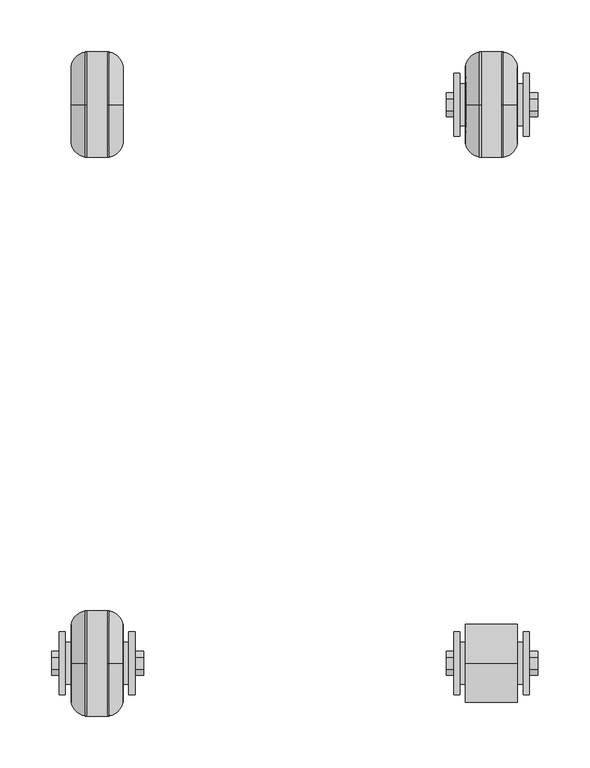
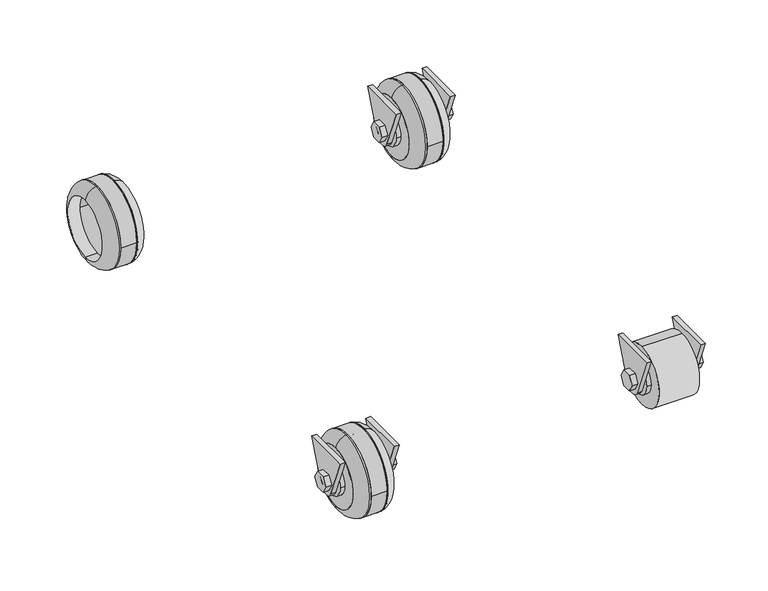
"""IFC4 building model written with IfcOpenShell, lengths in millimetres: proxy geometry."""

from ifc_helpers import new_model, si_unit, point, frame, frame_2d, origin, place, context, project, spatial, polyline, circle_curve, ellipse_curve, trimmed, segment, composite_curve, outline, extrude, source, transform, mapped, element, save
from ifc_brep_helpers import plane_surface, cylinder_surface, revolved_surface, advanced_brep


def specialty_equipment_302ef924(model_context):
    return source(origin(), model_context, "Body", "SolidModel", [
        advanced_brep(
        [(-164.9371167, 254.3891054, 87.8717833), (-164.9371167, 254.3891054, 13.5282167), (-178.4613722, 254.3891054, 0.0), (-178.4613722, 254.3891054, 101.4), (-179.9314, 254.3891054, 87.8717833), (-179.9314, 254.3891054, 13.5282167), (-179.9314, 254.3891054, 101.4), (-179.9314, 254.3891054, 0.0)],
        [
            (0, 1, circle_curve(frame((-164.9371167, 254.3891054, 50.7), z_axis=(-1.0, 0.0, 0.0), x_axis=(0.0, 0.0, -1.0)), 37.1717833)),
            (1, 2, circle_curve(frame((-180.7281604, 254.3891054, 15.7903806), z_axis=(0.0, 1.0, 0.0), x_axis=(-1.0, 0.0, 0.0)), 15.9522553)),
            (2, 3, circle_curve(frame((-178.4613722, 254.3891054, 50.7), z_axis=(1.0, 0.0, 0.0), x_axis=(0.0, 0.0, -1.0)), 50.7)),
            (3, 0, circle_curve(frame((-180.7281604, 254.3891054, 85.6096194), z_axis=(0.0, 1.0, 0.0), x_axis=(-1.0, 0.0, 0.0)), 15.9522553)),
            (1, 0, circle_curve(frame((-164.9371167, 254.3891054, 50.7), z_axis=(-1.0, 0.0, 0.0), x_axis=(0.0, 0.0, -1.0)), 37.1717833)),
            (3, 2, circle_curve(frame((-178.4613722, 254.3891054, 50.7), z_axis=(1.0, 0.0, 0.0), x_axis=(0.0, 0.0, -1.0)), 50.7)),
            (4, 5, circle_curve(frame((-179.9314, 254.3891054, 50.7), z_axis=(-1.0, 0.0, 0.0), x_axis=(0.0, 0.0, -1.0)), 37.1717833)),
            (5, 1),
            (0, 4),
            (5, 4, circle_curve(frame((-179.9314, 254.3891054, 50.7), z_axis=(-1.0, 0.0, 0.0), x_axis=(0.0, 0.0, -1.0)), 37.1717833)),
            (6, 7, circle_curve(frame((-179.9314, 254.3891054, 50.7), z_axis=(-1.0, 0.0, 0.0), x_axis=(0.0, 0.0, -1.0)), 50.7)),
            (7, 5),
            (4, 6),
            (7, 6, circle_curve(frame((-179.9314, 254.3891054, 50.7), z_axis=(-1.0, 0.0, 0.0), x_axis=(0.0, 0.0, -1.0)), 50.7)),
            (2, 7),
            (6, 3),
        ],
        [
            revolved_surface(trimmed(ellipse_curve(frame((-180.7281604, 254.3891054, 15.7903806), z_axis=(0.0, -1.0, 0.0), x_axis=(-1.0, 0.0, 0.0)), 15.9522553, 15.9522553), [point((-178.4613722, 254.3891054, 0.0))], [point((-164.9371167, 254.3891054, 13.5282167))], True, "CARTESIAN"), (-145.2387444, 254.3891054, 50.7), (1.0, 0.0, 0.0)),
            revolved_surface(polyline([(-164.9371167, 254.3891054, 13.528216700000002), (-179.9314, 254.3891054, 13.528216700000002)]), (-145.2387444, 254.3891054, 50.7), (1.0, 0.0, 0.0)),
            plane_surface(frame((-179.9314, 254.3891054, 50.7), z_axis=(-1.0, 0.0, 0.0), x_axis=(0.0, 0.0, -1.0))),
            cylinder_surface(frame((-145.2387444, 254.3891054, 50.7), z_axis=(1.0, 0.0, 0.0), x_axis=(0.0, 0.0, -1.0)), 50.7),
        ],
        [
            (0, [[1, 2, 3, 4]]),
            (0, [[5, -4, 6, -2]]),
            (1, [[7, 8, -1, 9]]),
            (1, [[10, -9, -5, -8]]),
            (2, [[11, 12, -7, 13]]),
            (2, [[14, -13, -10, -12]]),
            (3, [[-3, 15, -11, 16]]),
            (3, [[-6, -16, -14, -15]]),
        ],
    ),
        advanced_brep(
        [(-199.9237778, 254.3891054, 101.4), (-199.9237778, 254.3891054, 0.0), (-201.3938056, 254.3891054, 0.0), (-201.3938056, 254.3891054, 101.4), (-199.9237778, 254.3891054, 87.8717833), (-199.9237778, 254.3891054, 13.5282167), (-214.9180611, 254.3891054, 87.8717833), (-214.9180611, 254.3891054, 13.5282167)],
        [
            (0, 1, circle_curve(frame((-199.9237778, 254.3891054, 50.7), z_axis=(-1.0, 0.0, 0.0), x_axis=(0.0, 0.0, -1.0)), 50.7)),
            (1, 2),
            (2, 3, circle_curve(frame((-201.3938056, 254.3891054, 50.7), z_axis=(1.0, 0.0, 0.0), x_axis=(0.0, 0.0, -1.0)), 50.7)),
            (3, 0),
            (1, 0, circle_curve(frame((-199.9237778, 254.3891054, 50.7), z_axis=(-1.0, 0.0, 0.0), x_axis=(0.0, 0.0, -1.0)), 50.7)),
            (3, 2, circle_curve(frame((-201.3938056, 254.3891054, 50.7), z_axis=(1.0, 0.0, 0.0), x_axis=(0.0, 0.0, -1.0)), 50.7)),
            (4, 5, circle_curve(frame((-199.9237778, 254.3891054, 50.7), z_axis=(-1.0, 0.0, 0.0), x_axis=(0.0, 0.0, -1.0)), 37.1717833)),
            (5, 1),
            (0, 4),
            (5, 4, circle_curve(frame((-199.9237778, 254.3891054, 50.7), z_axis=(-1.0, 0.0, 0.0), x_axis=(0.0, 0.0, -1.0)), 37.1717833)),
            (6, 7, circle_curve(frame((-214.9180611, 254.3891054, 50.7), z_axis=(-1.0, 0.0, 0.0), x_axis=(0.0, 0.0, -1.0)), 37.1717833)),
            (7, 5),
            (4, 6),
            (7, 6, circle_curve(frame((-214.9180611, 254.3891054, 50.7), z_axis=(-1.0, 0.0, 0.0), x_axis=(0.0, 0.0, -1.0)), 37.1717833)),
            (2, 7, circle_curve(frame((-199.1270173, 254.3891054, 15.7903806), z_axis=(0.0, 1.0, 0.0), x_axis=(1.0, 0.0, 0.0)), 15.9522553)),
            (6, 3, circle_curve(frame((-199.1270173, 254.3891054, 85.6096194), z_axis=(0.0, 1.0, 0.0), x_axis=(1.0, 0.0, 0.0)), 15.9522553)),
        ],
        [
            cylinder_surface(frame((-145.2387444, 254.3891054, 50.7), z_axis=(1.0, 0.0, 0.0), x_axis=(0.0, 0.0, -1.0)), 50.7),
            plane_surface(frame((-199.9237778, 254.3891054, 50.7), z_axis=(1.0, 0.0, 0.0), x_axis=(0.0, 0.0, -1.0))),
            revolved_surface(polyline([(-199.9237778, 254.3891054, 13.528216700000002), (-214.9180611, 254.3891054, 13.528216700000002)]), (-145.2387444, 254.3891054, 50.7), (1.0, 0.0, 0.0)),
            revolved_surface(trimmed(ellipse_curve(frame((-199.1270173, 254.3891054, 15.7903806), z_axis=(0.0, -1.0, 0.0), x_axis=(1.0, 0.0, 0.0)), 15.9522553, 15.9522553), [point((-214.9180611, 254.3891054, 13.5282167))], [point((-201.3938056, 254.3891054, 0.0))], True, "CARTESIAN"), (-145.2387444, 254.3891054, 50.7), (1.0, 0.0, 0.0)),
        ],
        [
            (0, [[1, 2, 3, 4]]),
            (0, [[5, -4, 6, -2]]),
            (1, [[7, 8, -1, 9]]),
            (1, [[10, -9, -5, -8]]),
            (2, [[11, 12, -7, 13]]),
            (2, [[14, -13, -10, -12]]),
            (3, [[-3, 15, -11, 16]]),
            (3, [[-6, -16, -14, -15]]),
        ],
    ),
        extrude(outline(composite_curve([segment(trimmed(circle_curve(frame_2d((254.3891054, 50.7333101)), 50.7275853), [point((305.1166907, 50.7333101))], [point((203.6615201, 50.7333101))], False, "CARTESIAN"), True, "CONTINUOUS"), segment(trimmed(circle_curve(frame_2d((254.3891054, 50.7333101)), 50.7275853), [point((203.6615201, 50.7333101))], [point((305.1166907, 50.7333101))], False, "CARTESIAN"), True, "CONTINUOUS")], self_intersect=False), holes=[composite_curve([segment(trimmed(circle_curve(frame_2d((254.3891054, 50.7333101)), 37.2275853), [point((291.6166907, 50.7333101))], [point((217.1615201, 50.7333101))], True, "CARTESIAN"), True, "CONTINUOUS"), segment(trimmed(circle_curve(frame_2d((254.3891054, 50.7333101)), 37.2275853), [point((217.1615201, 50.7333101))], [point((291.6166907, 50.7333101))], True, "CARTESIAN"), True, "CONTINUOUS")], self_intersect=False)]), frame((-199.9237778, 0.0, 0.0), z_axis=(1.0, 0.0, 0.0), x_axis=(0.0, 1.0, 0.0)), (0.0, 0.0, 1.0), 19.9923778),
        advanced_brep(
        [(226.3842778, 264.7060741, 38.525975), (226.3842778, 284.833185, 89.99205), (226.3842778, 223.9450259, 89.99205), (226.3842778, 244.0721367, 38.525975), (226.3842778, 248.5494562, 60.8478792), (226.3842778, 260.2287546, 60.8478792), (226.3842778, 266.0684038, 50.7333101), (226.3842778, 260.2287546, 40.618741), (226.3842778, 248.5494562, 40.618741), (226.3842778, 242.709807, 50.7333101), (220.5041667, 264.6963629, 38.5301868), (220.5041667, 244.0818479, 38.5301868), (220.5041667, 223.9450259, 89.99205), (220.5041667, 284.833185, 89.99205), (220.5041667, 248.5494562, 60.8478792), (220.5041667, 242.709807, 50.7333101), (220.5041667, 248.5494562, 40.618741), (220.5041667, 260.2287546, 40.618741), (220.5041667, 266.0684038, 50.7333101), (220.5041667, 260.2287546, 60.8478792)],
        [
            (0, 1),
            (1, 2),
            (2, 3),
            (3, 0, circle_curve(frame((226.3842778, 254.3891054, 43.0005277), z_axis=(1.0, 0.0, 0.0), x_axis=(0.0, -1.0, 0.0)), 11.2349234)),
            (4, 5),
            (5, 6),
            (6, 7),
            (7, 8),
            (8, 9),
            (9, 4),
            (10, 11, circle_curve(frame((220.5041667, 254.3891054, 43.0005277), z_axis=(-1.0, 0.0, 0.0), x_axis=(0.0, -1.0, 0.0)), 11.2349234)),
            (11, 12),
            (12, 13),
            (13, 10),
            (14, 15),
            (15, 16),
            (16, 17),
            (17, 18),
            (18, 19),
            (19, 14),
            (0, 10),
            (13, 1),
            (12, 2),
            (11, 3),
            (4, 14),
            (19, 5),
            (18, 6),
            (17, 7),
            (16, 8),
            (15, 9),
        ],
        [
            plane_surface(frame((226.3842778, 284.833185, 89.99205), z_axis=(1.0, 0.0, 0.0), x_axis=(0.0, 0.36421435293673643, 0.9313151481184414))),
            plane_surface(frame((220.5041667, 284.833185, 89.99205), z_axis=(-1.0, 0.0, 0.0), x_axis=(0.0, -0.36421435293673643, -0.9313151481184414))),
            plane_surface(frame((226.3842778, 264.7060741, 38.525975), z_axis=(0.0, 0.9313151481184414, -0.36421435293673643), x_axis=(-1.0, 0.0, 0.0))),
            plane_surface(frame((226.3842778, 284.833185, 89.99205), z_axis=(0.0, 0.0, 1.0), x_axis=(-1.0, 0.0, 0.0))),
            plane_surface(frame((226.3842778, 223.9450259, 89.99205), z_axis=(0.0, -0.9313151481185085, -0.36421435293656496), x_axis=(-1.0, 0.0, 0.0))),
            cylinder_surface(frame((220.5041667, 254.3891054, 43.0005277), z_axis=(1.0, 0.0, 0.0), x_axis=(0.0, -1.0, 0.0)), 11.2349234),
            plane_surface(frame((226.3842778, 248.5494562, 60.8478792), z_axis=(0.0, 0.0, -1.0), x_axis=(-1.0, 0.0, 0.0))),
            plane_surface(frame((226.3842778, 260.2287546, 60.8478792), z_axis=(0.0, -0.8660254037843047, -0.5000000000002323), x_axis=(-1.0, 0.0, 0.0))),
            plane_surface(frame((226.3842778, 266.0684038, 50.7333101), z_axis=(0.0, -0.8660254037842656, 0.5000000000002996), x_axis=(-1.0, 0.0, 0.0))),
            plane_surface(frame((226.3842778, 260.2287546, 40.618741), z_axis=(0.0, 0.0, 1.0), x_axis=(-1.0, 0.0, 0.0))),
            plane_surface(frame((226.3842778, 248.5494562, 40.618741), z_axis=(0.0, 0.8660254037842644, 0.5000000000003018), x_axis=(-1.0, 0.0, 0.0))),
            plane_surface(frame((226.3842778, 242.709807, 50.7333101), z_axis=(0.0, 0.8660254037843034, -0.5000000000002345), x_axis=(-1.0, 0.0, 0.0))),
        ],
        [
            (0, [[1, 2, 3, 4], [5, 6, 7, 8, 9, 10]]),
            (1, [[11, 12, 13, 14], [15, 16, 17, 18, 19, 20]]),
            (2, [[-1, 21, -14, 22]]),
            (3, [[-2, -22, -13, 23]]),
            (4, [[-3, -23, -12, 24]]),
            (5, [[-4, -24, -11, -21]]),
            (6, [[-5, 25, -20, 26]]),
            (7, [[-6, -26, -19, 27]]),
            (8, [[-7, -27, -18, 28]]),
            (9, [[-8, -28, -17, 29]]),
            (10, [[-9, -29, -16, 30]]),
            (11, [[-10, -30, -15, -25]]),
        ],
    ),
        advanced_brep(
        [(159.3510111, 264.7060741, 38.525975), (159.3510111, 284.833185, 89.99205), (159.3510111, 223.9450259, 89.99205), (159.3510111, 244.0721367, 38.525975), (159.3510111, 248.5494562, 60.8478792), (159.3510111, 260.2287546, 60.8478792), (159.3510111, 266.0684038, 50.7333101), (159.3510111, 260.2287546, 40.618741), (159.3510111, 248.5494562, 40.618741), (159.3510111, 242.709807, 50.7333101), (153.4709, 264.6963629, 38.5301868), (153.4709, 244.0818479, 38.5301868), (153.4709, 223.9450259, 89.99205), (153.4709, 284.833185, 89.99205), (153.4709, 248.5494562, 60.8478792), (153.4709, 242.709807, 50.7333101), (153.4709, 248.5494562, 40.618741), (153.4709, 260.2287546, 40.618741), (153.4709, 266.0684038, 50.7333101), (153.4709, 260.2287546, 60.8478792)],
        [
            (0, 1),
            (1, 2),
            (2, 3),
            (3, 0, circle_curve(frame((159.3510111, 254.3891054, 43.0005277), z_axis=(1.0, 0.0, 0.0), x_axis=(0.0, -1.0, 0.0)), 11.2349234)),
            (4, 5),
            (5, 6),
            (6, 7),
            (7, 8),
            (8, 9),
            (9, 4),
            (10, 11, circle_curve(frame((153.4709, 254.3891054, 43.0005277), z_axis=(-1.0, 0.0, 0.0), x_axis=(0.0, -1.0, 0.0)), 11.2349234)),
            (11, 12),
            (12, 13),
            (13, 10),
            (14, 15),
            (15, 16),
            (16, 17),
            (17, 18),
            (18, 19),
            (19, 14),
            (0, 10),
            (13, 1),
            (12, 2),
            (11, 3),
            (4, 14),
            (19, 5),
            (18, 6),
            (17, 7),
            (16, 8),
            (15, 9),
        ],
        [
            plane_surface(frame((159.3510111, 284.833185, 89.99205), z_axis=(1.0, 0.0, 0.0), x_axis=(0.0, 0.36421435293673643, 0.9313151481184414))),
            plane_surface(frame((153.4709, 284.833185, 89.99205), z_axis=(-1.0, 0.0, 0.0), x_axis=(0.0, -0.36421435293673643, -0.9313151481184414))),
            plane_surface(frame((159.3510111, 264.7060741, 38.525975), z_axis=(0.0, 0.9313151481184414, -0.36421435293673643), x_axis=(-1.0, 0.0, 0.0))),
            plane_surface(frame((159.3510111, 284.833185, 89.99205), z_axis=(0.0, 0.0, 1.0), x_axis=(-1.0, 0.0, 0.0))),
            plane_surface(frame((159.3510111, 223.9450259, 89.99205), z_axis=(0.0, -0.9313151481185085, -0.36421435293656496), x_axis=(-1.0, 0.0, 0.0))),
            cylinder_surface(frame((153.4709, 254.3891054, 43.0005277), z_axis=(1.0, 0.0, 0.0), x_axis=(0.0, -1.0, 0.0)), 11.2349234),
            plane_surface(frame((159.3510111, 248.5494562, 60.8478792), z_axis=(0.0, 0.0, -1.0), x_axis=(-1.0, 0.0, 0.0))),
            plane_surface(frame((159.3510111, 260.2287546, 60.8478792), z_axis=(0.0, -0.8660254037843047, -0.5000000000002323), x_axis=(-1.0, 0.0, 0.0))),
            plane_surface(frame((159.3510111, 266.0684038, 50.7333101), z_axis=(0.0, -0.8660254037842656, 0.5000000000002996), x_axis=(-1.0, 0.0, 0.0))),
            plane_surface(frame((159.3510111, 260.2287546, 40.618741), z_axis=(0.0, 0.0, 1.0), x_axis=(-1.0, 0.0, 0.0))),
            plane_surface(frame((159.3510111, 248.5494562, 40.618741), z_axis=(0.0, 0.8660254037842644, 0.5000000000003018), x_axis=(-1.0, 0.0, 0.0))),
            plane_surface(frame((159.3510111, 242.709807, 50.7333101), z_axis=(0.0, 0.8660254037843034, -0.5000000000002345), x_axis=(-1.0, 0.0, 0.0))),
        ],
        [
            (0, [[1, 2, 3, 4], [5, 6, 7, 8, 9, 10]]),
            (1, [[11, 12, 13, 14], [15, 16, 17, 18, 19, 20]]),
            (2, [[-1, 21, -14, 22]]),
            (3, [[-2, -22, -13, 23]]),
            (4, [[-3, -23, -12, 24]]),
            (5, [[-4, -24, -11, -21]]),
            (6, [[-5, 25, -20, 26]]),
            (7, [[-6, -26, -19, 27]]),
            (8, [[-7, -27, -18, 28]]),
            (9, [[-8, -28, -17, 29]]),
            (10, [[-9, -29, -16, 30]]),
            (11, [[-10, -30, -15, -25]]),
        ],
    ),
        extrude(outline(composite_curve([segment(trimmed(circle_curve(frame_2d((254.3891054, 50.7333101)), 20.2039105), [point((274.593016, 50.7333101))], [point((234.1851949, 50.7333101))], False, "CARTESIAN"), True, "CONTINUOUS"), segment(trimmed(circle_curve(frame_2d((254.3891054, 50.7333101)), 20.2039105), [point((234.1851949, 50.7333101))], [point((274.593016, 50.7333101))], False, "CARTESIAN"), True, "CONTINUOUS")], self_intersect=False)), frame((159.3510111, 0.0, 0.0), z_axis=(1.0, 0.0, 0.0), x_axis=(0.0, 1.0, 0.0)), (0.0, 0.0, 1.0), 61.1531556),
        extrude(outline(polyline([(242.709807, 50.7333101), (248.5494562, 60.8478792), (260.2287546, 60.8478792), (266.0684038, 50.7333101), (260.2287546, 40.618741), (248.5494562, 40.618741), (242.709807, 50.7333101)])), frame((146.4147667, 0.0, 0.0), z_axis=(1.0, 0.0, 0.0), x_axis=(0.0, 1.0, 0.0)), (0.0, 0.0, 1.0), 88.2016667),
        extrude(outline(composite_curve([segment(trimmed(circle_curve(frame_2d((254.3891054, 51.17195)), 37.6437333), [point((254.3891054, 13.5282167))], [point((254.3891054, 88.8156833))], False, "CARTESIAN"), True, "CONTINUOUS"), segment(trimmed(circle_curve(frame_2d((254.3891054, 51.17195)), 37.6437333), [point((254.3891054, 88.8156833))], [point((254.3891054, 13.5282167))], False, "CARTESIAN"), True, "CONTINUOUS")], self_intersect=False), holes=[composite_curve([segment(trimmed(circle_curve(frame_2d((254.3891054, 50.7333101)), 20.2039105), [point((274.593016, 50.7333101))], [point((234.1851949, 50.7333101))], True, "CARTESIAN"), True, "CONTINUOUS"), segment(trimmed(circle_curve(frame_2d((254.3891054, 50.7333101)), 20.2039105), [point((234.1851949, 50.7333101))], [point((274.593016, 50.7333101))], True, "CARTESIAN"), True, "CONTINUOUS")], self_intersect=False)]), frame((164.9371167, 0.0, 0.0), z_axis=(1.0, 0.0, 0.0), x_axis=(0.0, 1.0, 0.0)), (0.0, 0.0, 1.0), 49.9809444),
        advanced_brep(
        [(214.9180611, 254.3891054, 87.8717833), (214.9180611, 254.3891054, 13.5282167), (201.3938056, 254.3891054, 0.0), (201.3938056, 254.3891054, 101.4), (199.9237778, 254.3891054, 87.8717833), (199.9237778, 254.3891054, 13.5282167), (199.9237778, 254.3891054, 101.4), (199.9237778, 254.3891054, 0.0)],
        [
            (0, 1, circle_curve(frame((214.9180611, 254.3891054, 50.7), z_axis=(-1.0, 0.0, 0.0), x_axis=(0.0, 0.0, -1.0)), 37.1717833)),
            (1, 2, circle_curve(frame((199.1270173, 254.3891054, 15.7903806), z_axis=(0.0, 1.0, 0.0), x_axis=(-1.0, 0.0, 0.0)), 15.9522553)),
            (2, 3, circle_curve(frame((201.3938056, 254.3891054, 50.7), z_axis=(1.0, 0.0, 0.0), x_axis=(0.0, 0.0, -1.0)), 50.7)),
            (3, 0, circle_curve(frame((199.1270173, 254.3891054, 85.6096194), z_axis=(0.0, 1.0, 0.0), x_axis=(-1.0, 0.0, 0.0)), 15.9522553)),
            (1, 0, circle_curve(frame((214.9180611, 254.3891054, 50.7), z_axis=(-1.0, 0.0, 0.0), x_axis=(0.0, 0.0, -1.0)), 37.1717833)),
            (3, 2, circle_curve(frame((201.3938056, 254.3891054, 50.7), z_axis=(1.0, 0.0, 0.0), x_axis=(0.0, 0.0, -1.0)), 50.7)),
            (4, 5, circle_curve(frame((199.9237778, 254.3891054, 50.7), z_axis=(-1.0, 0.0, 0.0), x_axis=(0.0, 0.0, -1.0)), 37.1717833)),
            (5, 1),
            (0, 4),
            (5, 4, circle_curve(frame((199.9237778, 254.3891054, 50.7), z_axis=(-1.0, 0.0, 0.0), x_axis=(0.0, 0.0, -1.0)), 37.1717833)),
            (6, 7, circle_curve(frame((199.9237778, 254.3891054, 50.7), z_axis=(-1.0, 0.0, 0.0), x_axis=(0.0, 0.0, -1.0)), 50.7)),
            (7, 5),
            (4, 6),
            (7, 6, circle_curve(frame((199.9237778, 254.3891054, 50.7), z_axis=(-1.0, 0.0, 0.0), x_axis=(0.0, 0.0, -1.0)), 50.7)),
            (2, 7),
            (6, 3),
        ],
        [
            revolved_surface(trimmed(ellipse_curve(frame((199.1270173, 254.3891054, 15.7903806), z_axis=(0.0, -1.0, 0.0), x_axis=(-1.0, 0.0, 0.0)), 15.9522553, 15.9522553), [point((201.3938056, 254.3891054, 0.0))], [point((214.9180611, 254.3891054, 13.5282167))], True, "CARTESIAN"), (234.6164333, 254.3891054, 50.7), (1.0, 0.0, 0.0)),
            revolved_surface(polyline([(214.9180611, 254.3891054, 13.528216700000002), (199.9237778, 254.3891054, 13.528216700000002)]), (234.6164333, 254.3891054, 50.7), (1.0, 0.0, 0.0)),
            plane_surface(frame((199.9237778, 254.3891054, 50.7), z_axis=(-1.0, 0.0, 0.0), x_axis=(0.0, 0.0, -1.0))),
            cylinder_surface(frame((234.6164333, 254.3891054, 50.7), z_axis=(1.0, 0.0, 0.0), x_axis=(0.0, 0.0, -1.0)), 50.7),
        ],
        [
            (0, [[1, 2, 3, 4]]),
            (0, [[5, -4, 6, -2]]),
            (1, [[7, 8, -1, 9]]),
            (1, [[10, -9, -5, -8]]),
            (2, [[11, 12, -7, 13]]),
            (2, [[14, -13, -10, -12]]),
            (3, [[-3, 15, -11, 16]]),
            (3, [[-6, -16, -14, -15]]),
        ],
    ),
        advanced_brep(
        [(179.9314, 254.3891054, 101.4), (179.9314, 254.3891054, 0.0), (178.4613722, 254.3891054, 0.0), (178.4613722, 254.3891054, 101.4), (179.9314, 254.3891054, 87.8717833), (179.9314, 254.3891054, 13.5282167), (164.9371167, 254.3891054, 87.8717833), (164.9371167, 254.3891054, 13.5282167)],
        [
            (0, 1, circle_curve(frame((179.9314, 254.3891054, 50.7), z_axis=(-1.0, 0.0, 0.0), x_axis=(0.0, 0.0, -1.0)), 50.7)),
            (1, 2),
            (2, 3, circle_curve(frame((178.4613722, 254.3891054, 50.7), z_axis=(1.0, 0.0, 0.0), x_axis=(0.0, 0.0, -1.0)), 50.7)),
            (3, 0),
            (1, 0, circle_curve(frame((179.9314, 254.3891054, 50.7), z_axis=(-1.0, 0.0, 0.0), x_axis=(0.0, 0.0, -1.0)), 50.7)),
            (3, 2, circle_curve(frame((178.4613722, 254.3891054, 50.7), z_axis=(1.0, 0.0, 0.0), x_axis=(0.0, 0.0, -1.0)), 50.7)),
            (4, 5, circle_curve(frame((179.9314, 254.3891054, 50.7), z_axis=(-1.0, 0.0, 0.0), x_axis=(0.0, 0.0, -1.0)), 37.1717833)),
            (5, 1),
            (0, 4),
            (5, 4, circle_curve(frame((179.9314, 254.3891054, 50.7), z_axis=(-1.0, 0.0, 0.0), x_axis=(0.0, 0.0, -1.0)), 37.1717833)),
            (6, 7, circle_curve(frame((164.9371167, 254.3891054, 50.7), z_axis=(-1.0, 0.0, 0.0), x_axis=(0.0, 0.0, -1.0)), 37.1717833)),
            (7, 5),
            (4, 6),
            (7, 6, circle_curve(frame((164.9371167, 254.3891054, 50.7), z_axis=(-1.0, 0.0, 0.0), x_axis=(0.0, 0.0, -1.0)), 37.1717833)),
            (2, 7, circle_curve(frame((180.7281604, 254.3891054, 15.7903806), z_axis=(0.0, 1.0, 0.0), x_axis=(1.0, 0.0, 0.0)), 15.9522553)),
            (6, 3, circle_curve(frame((180.7281604, 254.3891054, 85.6096194), z_axis=(0.0, 1.0, 0.0), x_axis=(1.0, 0.0, 0.0)), 15.9522553)),
        ],
        [
            cylinder_surface(frame((234.6164333, 254.3891054, 50.7), z_axis=(1.0, 0.0, 0.0), x_axis=(0.0, 0.0, -1.0)), 50.7),
            plane_surface(frame((179.9314, 254.3891054, 50.7), z_axis=(1.0, 0.0, 0.0), x_axis=(0.0, 0.0, -1.0))),
            revolved_surface(polyline([(179.9314, 254.3891054, 13.528216700000002), (164.9371167, 254.3891054, 13.528216700000002)]), (234.6164333, 254.3891054, 50.7), (1.0, 0.0, 0.0)),
            revolved_surface(trimmed(ellipse_curve(frame((180.7281604, 254.3891054, 15.7903806), z_axis=(0.0, -1.0, 0.0), x_axis=(1.0, 0.0, 0.0)), 15.9522553, 15.9522553), [point((164.9371167, 254.3891054, 13.5282167))], [point((178.4613722, 254.3891054, 0.0))], True, "CARTESIAN"), (234.6164333, 254.3891054, 50.7), (1.0, 0.0, 0.0)),
        ],
        [
            (0, [[1, 2, 3, 4]]),
            (0, [[5, -4, 6, -2]]),
            (1, [[7, 8, -1, 9]]),
            (1, [[10, -9, -5, -8]]),
            (2, [[11, 12, -7, 13]]),
            (2, [[14, -13, -10, -12]]),
            (3, [[-3, 15, -11, 16]]),
            (3, [[-6, -16, -14, -15]]),
        ],
    ),
        extrude(outline(composite_curve([segment(trimmed(circle_curve(frame_2d((254.3891054, 50.7333101)), 50.7275853), [point((305.1166907, 50.7333101))], [point((203.6615201, 50.7333101))], False, "CARTESIAN"), True, "CONTINUOUS"), segment(trimmed(circle_curve(frame_2d((254.3891054, 50.7333101)), 50.7275853), [point((203.6615201, 50.7333101))], [point((305.1166907, 50.7333101))], False, "CARTESIAN"), True, "CONTINUOUS")], self_intersect=False), holes=[composite_curve([segment(trimmed(circle_curve(frame_2d((254.3891054, 50.7333101)), 37.2275853), [point((291.6166907, 50.7333101))], [point((217.1615201, 50.7333101))], True, "CARTESIAN"), True, "CONTINUOUS"), segment(trimmed(circle_curve(frame_2d((254.3891054, 50.7333101)), 37.2275853), [point((217.1615201, 50.7333101))], [point((291.6166907, 50.7333101))], True, "CARTESIAN"), True, "CONTINUOUS")], self_intersect=False)]), frame((179.9314, 0.0, 0.0), z_axis=(1.0, 0.0, 0.0), x_axis=(0.0, 1.0, 0.0)), (0.0, 0.0, 1.0), 19.9923778),
        advanced_brep(
        [(-153.4709, -272.8784083, 38.525975), (-153.4709, -252.7512975, 89.99205), (-153.4709, -313.6394566, 89.99205), (-153.4709, -293.5123458, 38.525975), (-153.4709, -289.0350263, 60.8478792), (-153.4709, -277.3557279, 60.8478792), (-153.4709, -271.5160786, 50.7333101), (-153.4709, -277.3557279, 40.618741), (-153.4709, -289.0350263, 40.618741), (-153.4709, -294.8746755, 50.7333101), (-159.3510111, -272.8881196, 38.5301868), (-159.3510111, -293.5026345, 38.5301868), (-159.3510111, -313.6394566, 89.99205), (-159.3510111, -252.7512975, 89.99205), (-159.3510111, -289.0350263, 60.8478792), (-159.3510111, -294.8746755, 50.7333101), (-159.3510111, -289.0350263, 40.618741), (-159.3510111, -277.3557279, 40.618741), (-159.3510111, -271.5160786, 50.7333101), (-159.3510111, -277.3557279, 60.8478792)],
        [
            (0, 1),
            (1, 2),
            (2, 3),
            (3, 0, circle_curve(frame((-153.4709, -283.1953771, 43.0005277), z_axis=(1.0, 0.0, 0.0), x_axis=(0.0, -1.0, 0.0)), 11.2349234)),
            (4, 5),
            (5, 6),
            (6, 7),
            (7, 8),
            (8, 9),
            (9, 4),
            (10, 11, circle_curve(frame((-159.3510111, -283.1953771, 43.0005277), z_axis=(-1.0, 0.0, 0.0), x_axis=(0.0, -1.0, 0.0)), 11.2349234)),
            (11, 12),
            (12, 13),
            (13, 10),
            (14, 15),
            (15, 16),
            (16, 17),
            (17, 18),
            (18, 19),
            (19, 14),
            (0, 10),
            (13, 1),
            (12, 2),
            (11, 3),
            (4, 14),
            (19, 5),
            (18, 6),
            (17, 7),
            (16, 8),
            (15, 9),
        ],
        [
            plane_surface(frame((-153.4709, -252.7512975, 89.99205), z_axis=(1.0, 0.0, 0.0), x_axis=(0.0, 0.36421435293673643, 0.9313151481184414))),
            plane_surface(frame((-159.3510111, -252.7512975, 89.99205), z_axis=(-1.0, 0.0, 0.0), x_axis=(0.0, -0.36421435293673643, -0.9313151481184414))),
            plane_surface(frame((-153.4709, -272.8784083, 38.525975), z_axis=(0.0, 0.9313151481184414, -0.36421435293673643), x_axis=(-1.0, 0.0, 0.0))),
            plane_surface(frame((-153.4709, -252.7512975, 89.99205), z_axis=(0.0, 0.0, 1.0), x_axis=(-1.0, 0.0, 0.0))),
            plane_surface(frame((-153.4709, -313.6394566, 89.99205), z_axis=(0.0, -0.9313151481185085, -0.36421435293656496), x_axis=(-1.0, 0.0, 0.0))),
            cylinder_surface(frame((-159.3510111, -283.1953771, 43.0005277), z_axis=(1.0, 0.0, 0.0), x_axis=(0.0, -1.0, 0.0)), 11.2349234),
            plane_surface(frame((-153.4709, -289.0350263, 60.8478792), z_axis=(0.0, 0.0, -1.0), x_axis=(-1.0, 0.0, 0.0))),
            plane_surface(frame((-153.4709, -277.3557279, 60.8478792), z_axis=(0.0, -0.8660254037843047, -0.5000000000002323), x_axis=(-1.0, 0.0, 0.0))),
            plane_surface(frame((-153.4709, -271.5160786, 50.7333101), z_axis=(0.0, -0.8660254037842656, 0.5000000000002996), x_axis=(-1.0, 0.0, 0.0))),
            plane_surface(frame((-153.4709, -277.3557279, 40.618741), z_axis=(0.0, 0.0, 1.0), x_axis=(-1.0, 0.0, 0.0))),
            plane_surface(frame((-153.4709, -289.0350263, 40.618741), z_axis=(0.0, 0.8660254037842644, 0.5000000000003018), x_axis=(-1.0, 0.0, 0.0))),
            plane_surface(frame((-153.4709, -294.8746755, 50.7333101), z_axis=(0.0, 0.8660254037843034, -0.5000000000002345), x_axis=(-1.0, 0.0, 0.0))),
        ],
        [
            (0, [[1, 2, 3, 4], [5, 6, 7, 8, 9, 10]]),
            (1, [[11, 12, 13, 14], [15, 16, 17, 18, 19, 20]]),
            (2, [[-1, 21, -14, 22]]),
            (3, [[-2, -22, -13, 23]]),
            (4, [[-3, -23, -12, 24]]),
            (5, [[-4, -24, -11, -21]]),
            (6, [[-5, 25, -20, 26]]),
            (7, [[-6, -26, -19, 27]]),
            (8, [[-7, -27, -18, 28]]),
            (9, [[-8, -28, -17, 29]]),
            (10, [[-9, -29, -16, 30]]),
            (11, [[-10, -30, -15, -25]]),
        ],
    ),
        advanced_brep(
        [(-220.5041667, -272.8784083, 38.525975), (-220.5041667, -252.7512975, 89.99205), (-220.5041667, -313.6394566, 89.99205), (-220.5041667, -293.5123458, 38.525975), (-220.5041667, -289.0350263, 60.8478792), (-220.5041667, -277.3557279, 60.8478792), (-220.5041667, -271.5160786, 50.7333101), (-220.5041667, -277.3557279, 40.618741), (-220.5041667, -289.0350263, 40.618741), (-220.5041667, -294.8746755, 50.7333101), (-226.3842778, -272.8881196, 38.5301868), (-226.3842778, -293.5026345, 38.5301868), (-226.3842778, -313.6394566, 89.99205), (-226.3842778, -252.7512975, 89.99205), (-226.3842778, -289.0350263, 60.8478792), (-226.3842778, -294.8746755, 50.7333101), (-226.3842778, -289.0350263, 40.618741), (-226.3842778, -277.3557279, 40.618741), (-226.3842778, -271.5160786, 50.7333101), (-226.3842778, -277.3557279, 60.8478792)],
        [
            (0, 1),
            (1, 2),
            (2, 3),
            (3, 0, circle_curve(frame((-220.5041667, -283.1953771, 43.0005277), z_axis=(1.0, 0.0, 0.0), x_axis=(0.0, -1.0, 0.0)), 11.2349234)),
            (4, 5),
            (5, 6),
            (6, 7),
            (7, 8),
            (8, 9),
            (9, 4),
            (10, 11, circle_curve(frame((-226.3842778, -283.1953771, 43.0005277), z_axis=(-1.0, 0.0, 0.0), x_axis=(0.0, -1.0, 0.0)), 11.2349234)),
            (11, 12),
            (12, 13),
            (13, 10),
            (14, 15),
            (15, 16),
            (16, 17),
            (17, 18),
            (18, 19),
            (19, 14),
            (0, 10),
            (13, 1),
            (12, 2),
            (11, 3),
            (4, 14),
            (19, 5),
            (18, 6),
            (17, 7),
            (16, 8),
            (15, 9),
        ],
        [
            plane_surface(frame((-220.5041667, -252.7512975, 89.99205), z_axis=(1.0, 0.0, 0.0), x_axis=(0.0, 0.36421435293673643, 0.9313151481184414))),
            plane_surface(frame((-226.3842778, -252.7512975, 89.99205), z_axis=(-1.0, 0.0, 0.0), x_axis=(0.0, -0.36421435293673643, -0.9313151481184414))),
            plane_surface(frame((-220.5041667, -272.8784083, 38.525975), z_axis=(0.0, 0.9313151481184414, -0.36421435293673643), x_axis=(-1.0, 0.0, 0.0))),
            plane_surface(frame((-220.5041667, -252.7512975, 89.99205), z_axis=(0.0, 0.0, 1.0), x_axis=(-1.0, 0.0, 0.0))),
            plane_surface(frame((-220.5041667, -313.6394566, 89.99205), z_axis=(0.0, -0.9313151481185085, -0.36421435293656496), x_axis=(-1.0, 0.0, 0.0))),
            cylinder_surface(frame((-226.3842778, -283.1953771, 43.0005277), z_axis=(1.0, 0.0, 0.0), x_axis=(0.0, -1.0, 0.0)), 11.2349234),
            plane_surface(frame((-220.5041667, -289.0350263, 60.8478792), z_axis=(0.0, 0.0, -1.0), x_axis=(-1.0, 0.0, 0.0))),
            plane_surface(frame((-220.5041667, -277.3557279, 60.8478792), z_axis=(0.0, -0.8660254037843047, -0.5000000000002323), x_axis=(-1.0, 0.0, 0.0))),
            plane_surface(frame((-220.5041667, -271.5160786, 50.7333101), z_axis=(0.0, -0.8660254037842656, 0.5000000000002996), x_axis=(-1.0, 0.0, 0.0))),
            plane_surface(frame((-220.5041667, -277.3557279, 40.618741), z_axis=(0.0, 0.0, 1.0), x_axis=(-1.0, 0.0, 0.0))),
            plane_surface(frame((-220.5041667, -289.0350263, 40.618741), z_axis=(0.0, 0.8660254037842644, 0.5000000000003018), x_axis=(-1.0, 0.0, 0.0))),
            plane_surface(frame((-220.5041667, -294.8746755, 50.7333101), z_axis=(0.0, 0.8660254037843034, -0.5000000000002345), x_axis=(-1.0, 0.0, 0.0))),
        ],
        [
            (0, [[1, 2, 3, 4], [5, 6, 7, 8, 9, 10]]),
            (1, [[11, 12, 13, 14], [15, 16, 17, 18, 19, 20]]),
            (2, [[-1, 21, -14, 22]]),
            (3, [[-2, -22, -13, 23]]),
            (4, [[-3, -23, -12, 24]]),
            (5, [[-4, -24, -11, -21]]),
            (6, [[-5, 25, -20, 26]]),
            (7, [[-6, -26, -19, 27]]),
            (8, [[-7, -27, -18, 28]]),
            (9, [[-8, -28, -17, 29]]),
            (10, [[-9, -29, -16, 30]]),
            (11, [[-10, -30, -15, -25]]),
        ],
    ),
        extrude(outline(composite_curve([segment(trimmed(circle_curve(frame_2d((-283.1953771, 50.7333101)), 20.2039105), [point((-262.9914665, 50.7333101))], [point((-303.3992876, 50.7333101))], False, "CARTESIAN"), True, "CONTINUOUS"), segment(trimmed(circle_curve(frame_2d((-283.1953771, 50.7333101)), 20.2039105), [point((-303.3992876, 50.7333101))], [point((-262.9914665, 50.7333101))], False, "CARTESIAN"), True, "CONTINUOUS")], self_intersect=False)), frame((-220.5041667, 0.0, 0.0), z_axis=(1.0, 0.0, 0.0), x_axis=(0.0, 1.0, 0.0)), (0.0, 0.0, 1.0), 61.1531556),
        extrude(outline(polyline([(-294.8746755, 50.7333101), (-289.0350263, 60.8478792), (-277.3557279, 60.8478792), (-271.5160786, 50.7333101), (-277.3557279, 40.618741), (-289.0350263, 40.618741), (-294.8746755, 50.7333101)])), frame((-233.4404111, 0.0, 0.0), z_axis=(1.0, 0.0, 0.0), x_axis=(0.0, 1.0, 0.0)), (0.0, 0.0, 1.0), 88.2016667),
        extrude(outline(composite_curve([segment(trimmed(circle_curve(frame_2d((-283.1953771, 51.17195)), 37.6437333), [point((-283.1953771, 13.5282167))], [point((-283.1953771, 88.8156833))], False, "CARTESIAN"), True, "CONTINUOUS"), segment(trimmed(circle_curve(frame_2d((-283.1953771, 51.17195)), 37.6437333), [point((-283.1953771, 88.8156833))], [point((-283.1953771, 13.5282167))], False, "CARTESIAN"), True, "CONTINUOUS")], self_intersect=False), holes=[composite_curve([segment(trimmed(circle_curve(frame_2d((-283.1953771, 50.7333101)), 20.2039105), [point((-262.9914665, 50.7333101))], [point((-303.3992876, 50.7333101))], True, "CARTESIAN"), True, "CONTINUOUS"), segment(trimmed(circle_curve(frame_2d((-283.1953771, 50.7333101)), 20.2039105), [point((-303.3992876, 50.7333101))], [point((-262.9914665, 50.7333101))], True, "CARTESIAN"), True, "CONTINUOUS")], self_intersect=False)]), frame((-214.9180611, 0.0, 0.0), z_axis=(1.0, 0.0, 0.0), x_axis=(0.0, 1.0, 0.0)), (0.0, 0.0, 1.0), 49.9809444),
        advanced_brep(
        [(-164.9371167, -283.1953771, 87.8717833), (-164.9371167, -283.1953771, 13.5282167), (-178.4613722, -283.1953771, 0.0), (-178.4613722, -283.1953771, 101.4), (-179.9314, -283.1953771, 87.8717833), (-179.9314, -283.1953771, 13.5282167), (-179.9314, -283.1953771, 101.4), (-179.9314, -283.1953771, 0.0)],
        [
            (0, 1, circle_curve(frame((-164.9371167, -283.1953771, 50.7), z_axis=(-1.0, 0.0, 0.0), x_axis=(0.0, 0.0, -1.0)), 37.1717833)),
            (1, 2, circle_curve(frame((-180.7281604, -283.1953771, 15.7903806), z_axis=(0.0, 1.0, 0.0), x_axis=(-1.0, 0.0, 0.0)), 15.9522553)),
            (2, 3, circle_curve(frame((-178.4613722, -283.1953771, 50.7), z_axis=(1.0, 0.0, 0.0), x_axis=(0.0, 0.0, -1.0)), 50.7)),
            (3, 0, circle_curve(frame((-180.7281604, -283.1953771, 85.6096194), z_axis=(0.0, 1.0, 0.0), x_axis=(-1.0, 0.0, 0.0)), 15.9522553)),
            (1, 0, circle_curve(frame((-164.9371167, -283.1953771, 50.7), z_axis=(-1.0, 0.0, 0.0), x_axis=(0.0, 0.0, -1.0)), 37.1717833)),
            (3, 2, circle_curve(frame((-178.4613722, -283.1953771, 50.7), z_axis=(1.0, 0.0, 0.0), x_axis=(0.0, 0.0, -1.0)), 50.7)),
            (4, 5, circle_curve(frame((-179.9314, -283.1953771, 50.7), z_axis=(-1.0, 0.0, 0.0), x_axis=(0.0, 0.0, -1.0)), 37.1717833)),
            (5, 1),
            (0, 4),
            (5, 4, circle_curve(frame((-179.9314, -283.1953771, 50.7), z_axis=(-1.0, 0.0, 0.0), x_axis=(0.0, 0.0, -1.0)), 37.1717833)),
            (6, 7, circle_curve(frame((-179.9314, -283.1953771, 50.7), z_axis=(-1.0, 0.0, 0.0), x_axis=(0.0, 0.0, -1.0)), 50.7)),
            (7, 5),
            (4, 6),
            (7, 6, circle_curve(frame((-179.9314, -283.1953771, 50.7), z_axis=(-1.0, 0.0, 0.0), x_axis=(0.0, 0.0, -1.0)), 50.7)),
            (2, 7),
            (6, 3),
        ],
        [
            revolved_surface(trimmed(ellipse_curve(frame((-180.7281604, -283.1953771, 15.7903806), z_axis=(0.0, -1.0, 0.0), x_axis=(-1.0, 0.0, 0.0)), 15.9522553, 15.9522553), [point((-178.4613722, -283.1953771, 0.0))], [point((-164.9371167, -283.1953771, 13.5282167))], True, "CARTESIAN"), (-145.2387444, -283.1953771, 50.7), (1.0, 0.0, 0.0)),
            revolved_surface(polyline([(-164.9371167, -283.1953771, 13.528216700000002), (-179.9314, -283.1953771, 13.528216700000002)]), (-145.2387444, -283.1953771, 50.7), (1.0, 0.0, 0.0)),
            plane_surface(frame((-179.9314, -283.1953771, 50.7), z_axis=(-1.0, 0.0, 0.0), x_axis=(0.0, 0.0, -1.0))),
            cylinder_surface(frame((-145.2387444, -283.1953771, 50.7), z_axis=(1.0, 0.0, 0.0), x_axis=(0.0, 0.0, -1.0)), 50.7),
        ],
        [
            (0, [[1, 2, 3, 4]]),
            (0, [[5, -4, 6, -2]]),
            (1, [[7, 8, -1, 9]]),
            (1, [[10, -9, -5, -8]]),
            (2, [[11, 12, -7, 13]]),
            (2, [[14, -13, -10, -12]]),
            (3, [[-3, 15, -11, 16]]),
            (3, [[-6, -16, -14, -15]]),
        ],
    ),
        advanced_brep(
        [(-199.9237778, -283.1953771, 101.4), (-199.9237778, -283.1953771, 0.0), (-201.3938056, -283.1953771, 0.0), (-201.3938056, -283.1953771, 101.4), (-199.9237778, -283.1953771, 87.8717833), (-199.9237778, -283.1953771, 13.5282167), (-214.9180611, -283.1953771, 87.8717833), (-214.9180611, -283.1953771, 13.5282167)],
        [
            (0, 1, circle_curve(frame((-199.9237778, -283.1953771, 50.7), z_axis=(-1.0, 0.0, 0.0), x_axis=(0.0, 0.0, -1.0)), 50.7)),
            (1, 2),
            (2, 3, circle_curve(frame((-201.3938056, -283.1953771, 50.7), z_axis=(1.0, 0.0, 0.0), x_axis=(0.0, 0.0, -1.0)), 50.7)),
            (3, 0),
            (1, 0, circle_curve(frame((-199.9237778, -283.1953771, 50.7), z_axis=(-1.0, 0.0, 0.0), x_axis=(0.0, 0.0, -1.0)), 50.7)),
            (3, 2, circle_curve(frame((-201.3938056, -283.1953771, 50.7), z_axis=(1.0, 0.0, 0.0), x_axis=(0.0, 0.0, -1.0)), 50.7)),
            (4, 5, circle_curve(frame((-199.9237778, -283.1953771, 50.7), z_axis=(-1.0, 0.0, 0.0), x_axis=(0.0, 0.0, -1.0)), 37.1717833)),
            (5, 1),
            (0, 4),
            (5, 4, circle_curve(frame((-199.9237778, -283.1953771, 50.7), z_axis=(-1.0, 0.0, 0.0), x_axis=(0.0, 0.0, -1.0)), 37.1717833)),
            (6, 7, circle_curve(frame((-214.9180611, -283.1953771, 50.7), z_axis=(-1.0, 0.0, 0.0), x_axis=(0.0, 0.0, -1.0)), 37.1717833)),
            (7, 5),
            (4, 6),
            (7, 6, circle_curve(frame((-214.9180611, -283.1953771, 50.7), z_axis=(-1.0, 0.0, 0.0), x_axis=(0.0, 0.0, -1.0)), 37.1717833)),
            (2, 7, circle_curve(frame((-199.1270173, -283.1953771, 15.7903806), z_axis=(0.0, 1.0, 0.0), x_axis=(1.0, 0.0, 0.0)), 15.9522553)),
            (6, 3, circle_curve(frame((-199.1270173, -283.1953771, 85.6096194), z_axis=(0.0, 1.0, 0.0), x_axis=(1.0, 0.0, 0.0)), 15.9522553)),
        ],
        [
            cylinder_surface(frame((-145.2387444, -283.1953771, 50.7), z_axis=(1.0, 0.0, 0.0), x_axis=(0.0, 0.0, -1.0)), 50.7),
            plane_surface(frame((-199.9237778, -283.1953771, 50.7), z_axis=(1.0, 0.0, 0.0), x_axis=(0.0, 0.0, -1.0))),
            revolved_surface(polyline([(-199.9237778, -283.1953771, 13.528216700000002), (-214.9180611, -283.1953771, 13.528216700000002)]), (-145.2387444, -283.1953771, 50.7), (1.0, 0.0, 0.0)),
            revolved_surface(trimmed(ellipse_curve(frame((-199.1270173, -283.1953771, 15.7903806), z_axis=(0.0, -1.0, 0.0), x_axis=(1.0, 0.0, 0.0)), 15.9522553, 15.9522553), [point((-214.9180611, -283.1953771, 13.5282167))], [point((-201.3938056, -283.1953771, 0.0))], True, "CARTESIAN"), (-145.2387444, -283.1953771, 50.7), (1.0, 0.0, 0.0)),
        ],
        [
            (0, [[1, 2, 3, 4]]),
            (0, [[5, -4, 6, -2]]),
            (1, [[7, 8, -1, 9]]),
            (1, [[10, -9, -5, -8]]),
            (2, [[11, 12, -7, 13]]),
            (2, [[14, -13, -10, -12]]),
            (3, [[-3, 15, -11, 16]]),
            (3, [[-6, -16, -14, -15]]),
        ],
    ),
        extrude(outline(composite_curve([segment(trimmed(circle_curve(frame_2d((-283.1953771, 50.7333101)), 50.7275853), [point((-232.4677918, 50.7333101))], [point((-333.9229623, 50.7333101))], False, "CARTESIAN"), True, "CONTINUOUS"), segment(trimmed(circle_curve(frame_2d((-283.1953771, 50.7333101)), 50.7275853), [point((-333.9229623, 50.7333101))], [point((-232.4677918, 50.7333101))], False, "CARTESIAN"), True, "CONTINUOUS")], self_intersect=False), holes=[composite_curve([segment(trimmed(circle_curve(frame_2d((-283.1953771, 50.7333101)), 37.2275853), [point((-245.9677918, 50.7333101))], [point((-320.4229623, 50.7333101))], True, "CARTESIAN"), True, "CONTINUOUS"), segment(trimmed(circle_curve(frame_2d((-283.1953771, 50.7333101)), 37.2275853), [point((-320.4229623, 50.7333101))], [point((-245.9677918, 50.7333101))], True, "CARTESIAN"), True, "CONTINUOUS")], self_intersect=False)]), frame((-199.9237778, 0.0, 0.0), z_axis=(1.0, 0.0, 0.0), x_axis=(0.0, 1.0, 0.0)), (0.0, 0.0, 1.0), 19.9923778),
        advanced_brep(
        [(226.3842778, -272.8784083, 38.525975), (226.3842778, -252.7512975, 89.99205), (226.3842778, -313.6394566, 89.99205), (226.3842778, -293.5123458, 38.525975), (226.3842778, -289.0350263, 60.8478792), (226.3842778, -277.3557279, 60.8478792), (226.3842778, -271.5160786, 50.7333101), (226.3842778, -277.3557279, 40.618741), (226.3842778, -289.0350263, 40.618741), (226.3842778, -294.8746755, 50.7333101), (220.5041667, -272.8881196, 38.5301868), (220.5041667, -293.5026345, 38.5301868), (220.5041667, -313.6394566, 89.99205), (220.5041667, -252.7512975, 89.99205), (220.5041667, -289.0350263, 60.8478792), (220.5041667, -294.8746755, 50.7333101), (220.5041667, -289.0350263, 40.618741), (220.5041667, -277.3557279, 40.618741), (220.5041667, -271.5160786, 50.7333101), (220.5041667, -277.3557279, 60.8478792)],
        [
            (0, 1),
            (1, 2),
            (2, 3),
            (3, 0, circle_curve(frame((226.3842778, -283.1953771, 43.0005277), z_axis=(1.0, 0.0, 0.0), x_axis=(0.0, -1.0, 0.0)), 11.2349234)),
            (4, 5),
            (5, 6),
            (6, 7),
            (7, 8),
            (8, 9),
            (9, 4),
            (10, 11, circle_curve(frame((220.5041667, -283.1953771, 43.0005277), z_axis=(-1.0, 0.0, 0.0), x_axis=(0.0, -1.0, 0.0)), 11.2349234)),
            (11, 12),
            (12, 13),
            (13, 10),
            (14, 15),
            (15, 16),
            (16, 17),
            (17, 18),
            (18, 19),
            (19, 14),
            (0, 10),
            (13, 1),
            (12, 2),
            (11, 3),
            (4, 14),
            (19, 5),
            (18, 6),
            (17, 7),
            (16, 8),
            (15, 9),
        ],
        [
            plane_surface(frame((226.3842778, -252.7512975, 89.99205), z_axis=(1.0, 0.0, 0.0), x_axis=(0.0, 0.36421435293673643, 0.9313151481184414))),
            plane_surface(frame((220.5041667, -252.7512975, 89.99205), z_axis=(-1.0, 0.0, 0.0), x_axis=(0.0, -0.36421435293673643, -0.9313151481184414))),
            plane_surface(frame((226.3842778, -272.8784083, 38.525975), z_axis=(0.0, 0.9313151481184414, -0.36421435293673643), x_axis=(-1.0, 0.0, 0.0))),
            plane_surface(frame((226.3842778, -252.7512975, 89.99205), z_axis=(0.0, 0.0, 1.0), x_axis=(-1.0, 0.0, 0.0))),
            plane_surface(frame((226.3842778, -313.6394566, 89.99205), z_axis=(0.0, -0.9313151481185085, -0.36421435293656496), x_axis=(-1.0, 0.0, 0.0))),
            cylinder_surface(frame((220.5041667, -283.1953771, 43.0005277), z_axis=(1.0, 0.0, 0.0), x_axis=(0.0, -1.0, 0.0)), 11.2349234),
            plane_surface(frame((226.3842778, -289.0350263, 60.8478792), z_axis=(0.0, 0.0, -1.0), x_axis=(-1.0, 0.0, 0.0))),
            plane_surface(frame((226.3842778, -277.3557279, 60.8478792), z_axis=(0.0, -0.8660254037843047, -0.5000000000002323), x_axis=(-1.0, 0.0, 0.0))),
            plane_surface(frame((226.3842778, -271.5160786, 50.7333101), z_axis=(0.0, -0.8660254037842656, 0.5000000000002996), x_axis=(-1.0, 0.0, 0.0))),
            plane_surface(frame((226.3842778, -277.3557279, 40.618741), z_axis=(0.0, 0.0, 1.0), x_axis=(-1.0, 0.0, 0.0))),
            plane_surface(frame((226.3842778, -289.0350263, 40.618741), z_axis=(0.0, 0.8660254037842644, 0.5000000000003018), x_axis=(-1.0, 0.0, 0.0))),
            plane_surface(frame((226.3842778, -294.8746755, 50.7333101), z_axis=(0.0, 0.8660254037843034, -0.5000000000002345), x_axis=(-1.0, 0.0, 0.0))),
        ],
        [
            (0, [[1, 2, 3, 4], [5, 6, 7, 8, 9, 10]]),
            (1, [[11, 12, 13, 14], [15, 16, 17, 18, 19, 20]]),
            (2, [[-1, 21, -14, 22]]),
            (3, [[-2, -22, -13, 23]]),
            (4, [[-3, -23, -12, 24]]),
            (5, [[-4, -24, -11, -21]]),
            (6, [[-5, 25, -20, 26]]),
            (7, [[-6, -26, -19, 27]]),
            (8, [[-7, -27, -18, 28]]),
            (9, [[-8, -28, -17, 29]]),
            (10, [[-9, -29, -16, 30]]),
            (11, [[-10, -30, -15, -25]]),
        ],
    ),
        advanced_brep(
        [(159.3510111, -272.8784083, 38.525975), (159.3510111, -252.7512975, 89.99205), (159.3510111, -313.6394566, 89.99205), (159.3510111, -293.5123458, 38.525975), (159.3510111, -289.0350263, 60.8478792), (159.3510111, -277.3557279, 60.8478792), (159.3510111, -271.5160786, 50.7333101), (159.3510111, -277.3557279, 40.618741), (159.3510111, -289.0350263, 40.618741), (159.3510111, -294.8746755, 50.7333101), (153.4709, -272.8881196, 38.5301868), (153.4709, -293.5026345, 38.5301868), (153.4709, -313.6394566, 89.99205), (153.4709, -252.7512975, 89.99205), (153.4709, -289.0350263, 60.8478792), (153.4709, -294.8746755, 50.7333101), (153.4709, -289.0350263, 40.618741), (153.4709, -277.3557279, 40.618741), (153.4709, -271.5160786, 50.7333101), (153.4709, -277.3557279, 60.8478792)],
        [
            (0, 1),
            (1, 2),
            (2, 3),
            (3, 0, circle_curve(frame((159.3510111, -283.1953771, 43.0005277), z_axis=(1.0, 0.0, 0.0), x_axis=(0.0, -1.0, 0.0)), 11.2349234)),
            (4, 5),
            (5, 6),
            (6, 7),
            (7, 8),
            (8, 9),
            (9, 4),
            (10, 11, circle_curve(frame((153.4709, -283.1953771, 43.0005277), z_axis=(-1.0, 0.0, 0.0), x_axis=(0.0, -1.0, 0.0)), 11.2349234)),
            (11, 12),
            (12, 13),
            (13, 10),
            (14, 15),
            (15, 16),
            (16, 17),
            (17, 18),
            (18, 19),
            (19, 14),
            (0, 10),
            (13, 1),
            (12, 2),
            (11, 3),
            (4, 14),
            (19, 5),
            (18, 6),
            (17, 7),
            (16, 8),
            (15, 9),
        ],
        [
            plane_surface(frame((159.3510111, -252.7512975, 89.99205), z_axis=(1.0, 0.0, 0.0), x_axis=(0.0, 0.36421435293673643, 0.9313151481184414))),
            plane_surface(frame((153.4709, -252.7512975, 89.99205), z_axis=(-1.0, 0.0, 0.0), x_axis=(0.0, -0.36421435293673643, -0.9313151481184414))),
            plane_surface(frame((159.3510111, -272.8784083, 38.525975), z_axis=(0.0, 0.9313151481184414, -0.36421435293673643), x_axis=(-1.0, 0.0, 0.0))),
            plane_surface(frame((159.3510111, -252.7512975, 89.99205), z_axis=(0.0, 0.0, 1.0), x_axis=(-1.0, 0.0, 0.0))),
            plane_surface(frame((159.3510111, -313.6394566, 89.99205), z_axis=(0.0, -0.9313151481185085, -0.36421435293656496), x_axis=(-1.0, 0.0, 0.0))),
            cylinder_surface(frame((153.4709, -283.1953771, 43.0005277), z_axis=(1.0, 0.0, 0.0), x_axis=(0.0, -1.0, 0.0)), 11.2349234),
            plane_surface(frame((159.3510111, -289.0350263, 60.8478792), z_axis=(0.0, 0.0, -1.0), x_axis=(-1.0, 0.0, 0.0))),
            plane_surface(frame((159.3510111, -277.3557279, 60.8478792), z_axis=(0.0, -0.8660254037843047, -0.5000000000002323), x_axis=(-1.0, 0.0, 0.0))),
            plane_surface(frame((159.3510111, -271.5160786, 50.7333101), z_axis=(0.0, -0.8660254037842656, 0.5000000000002996), x_axis=(-1.0, 0.0, 0.0))),
            plane_surface(frame((159.3510111, -277.3557279, 40.618741), z_axis=(0.0, 0.0, 1.0), x_axis=(-1.0, 0.0, 0.0))),
            plane_surface(frame((159.3510111, -289.0350263, 40.618741), z_axis=(0.0, 0.8660254037842644, 0.5000000000003018), x_axis=(-1.0, 0.0, 0.0))),
            plane_surface(frame((159.3510111, -294.8746755, 50.7333101), z_axis=(0.0, 0.8660254037843034, -0.5000000000002345), x_axis=(-1.0, 0.0, 0.0))),
        ],
        [
            (0, [[1, 2, 3, 4], [5, 6, 7, 8, 9, 10]]),
            (1, [[11, 12, 13, 14], [15, 16, 17, 18, 19, 20]]),
            (2, [[-1, 21, -14, 22]]),
            (3, [[-2, -22, -13, 23]]),
            (4, [[-3, -23, -12, 24]]),
            (5, [[-4, -24, -11, -21]]),
            (6, [[-5, 25, -20, 26]]),
            (7, [[-6, -26, -19, 27]]),
            (8, [[-7, -27, -18, 28]]),
            (9, [[-8, -28, -17, 29]]),
            (10, [[-9, -29, -16, 30]]),
            (11, [[-10, -30, -15, -25]]),
        ],
    ),
        extrude(outline(composite_curve([segment(trimmed(circle_curve(frame_2d((-283.1953771, 50.7333101)), 20.2039105), [point((-262.9914665, 50.7333101))], [point((-303.3992876, 50.7333101))], False, "CARTESIAN"), True, "CONTINUOUS"), segment(trimmed(circle_curve(frame_2d((-283.1953771, 50.7333101)), 20.2039105), [point((-303.3992876, 50.7333101))], [point((-262.9914665, 50.7333101))], False, "CARTESIAN"), True, "CONTINUOUS")], self_intersect=False)), frame((159.3510111, 0.0, 0.0), z_axis=(1.0, 0.0, 0.0), x_axis=(0.0, 1.0, 0.0)), (0.0, 0.0, 1.0), 61.1531556),
        extrude(outline(polyline([(-294.8746755, 50.7333101), (-289.0350263, 60.8478792), (-277.3557279, 60.8478792), (-271.5160786, 50.7333101), (-277.3557279, 40.618741), (-289.0350263, 40.618741), (-294.8746755, 50.7333101)])), frame((146.4147667, 0.0, 0.0), z_axis=(1.0, 0.0, 0.0), x_axis=(0.0, 1.0, 0.0)), (0.0, 0.0, 1.0), 88.2016667),
        extrude(outline(composite_curve([segment(trimmed(circle_curve(frame_2d((-283.1953771, 51.17195)), 37.6437333), [point((-283.1953771, 13.5282167))], [point((-283.1953771, 88.8156833))], False, "CARTESIAN"), True, "CONTINUOUS"), segment(trimmed(circle_curve(frame_2d((-283.1953771, 51.17195)), 37.6437333), [point((-283.1953771, 88.8156833))], [point((-283.1953771, 13.5282167))], False, "CARTESIAN"), True, "CONTINUOUS")], self_intersect=False), holes=[composite_curve([segment(trimmed(circle_curve(frame_2d((-283.1953771, 50.7333101)), 20.2039105), [point((-262.9914665, 50.7333101))], [point((-303.3992876, 50.7333101))], True, "CARTESIAN"), True, "CONTINUOUS"), segment(trimmed(circle_curve(frame_2d((-283.1953771, 50.7333101)), 20.2039105), [point((-303.3992876, 50.7333101))], [point((-262.9914665, 50.7333101))], True, "CARTESIAN"), True, "CONTINUOUS")], self_intersect=False)]), frame((164.9371167, 0.0, 0.0), z_axis=(1.0, 0.0, 0.0), x_axis=(0.0, 1.0, 0.0)), (0.0, 0.0, 1.0), 49.9809444),
    ])


if __name__ == "__main__":
    model = new_model("IFC4")
    model_context = context("Model", 3, world=origin())
    ifc_project = project(units=[si_unit("LENGTHUNIT", "METRE", prefix="MILLI")], contexts=[model_context])
    site = spatial("IfcSite", under=ifc_project)
    building = spatial("IfcBuilding", under=site)
    placement = place(None, origin())
    specialty_equipment_shape = specialty_equipment_302ef924(model_context)
    element("IfcBuildingElementProxy", 1, Name="Specialty Equipment", at=placement, inside=building, context=model_context, shape_type="MappedRepresentation", body=[
        mapped(specialty_equipment_shape, transform((0.0, 0.0, 0.0), x_axis=(1.0, 0.0, 0.0), y_axis=(0.0, 1.0, 0.0), z_axis=(0.0, 0.0, 1.0))),
    ])
    save(model, "model.ifc")
